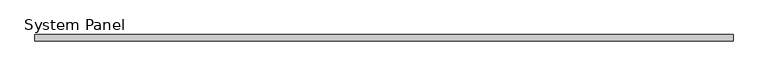
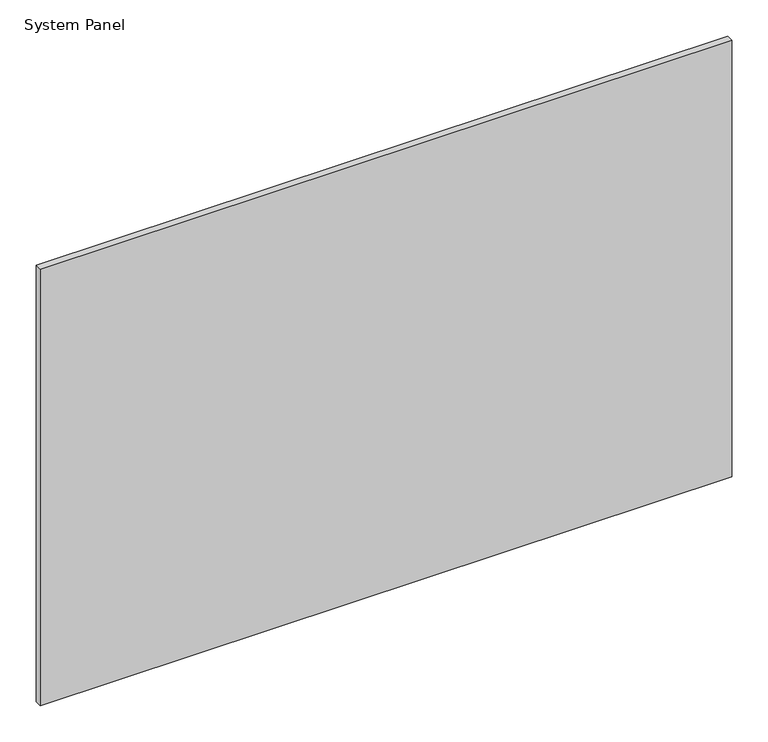
"""IFC4 building model written with IfcOpenShell, lengths in millimetres: plate geometry, System Panel."""

from ifc_helpers import new_model, si_unit, origin, origin_with_axes, place, context, project, spatial, polyline, outline, extrude, source, transform, mapped, element, save


def system_panel_c54a648d(model_context):
    return source(origin(), model_context, "Body", "SweptSolid", [
        extrude(outline(polyline([(547.9674999, -5.0), (-547.9674999, -5.0), (-547.9674999, 5.0), (547.9674999, 5.0), (547.9674999, -5.0)])), origin_with_axes(), (0.0, 0.0, 1.0), 731.369375),
    ])


if __name__ == "__main__":
    model = new_model("IFC4")
    model_context = context("Model", 3, world=origin())
    ifc_project = project(units=[si_unit("LENGTHUNIT", "METRE", prefix="MILLI")], contexts=[model_context])
    site = spatial("IfcSite", under=ifc_project)
    building = spatial("IfcBuilding", under=site)
    placement = place(None, origin())
    system_panel_shape = system_panel_c54a648d(model_context)
    element("IfcPlate", 1, ObjectType="System Panel", at=placement, inside=building, context=model_context, shape_type="MappedRepresentation", body=[
        mapped(system_panel_shape, transform((0.0, 0.0, 0.0), x_axis=(1.0, 0.0, 0.0), y_axis=(0.0, 1.0, 0.0), z_axis=(0.0, 0.0, 1.0))),
    ])
    save(model, "model.ifc")
